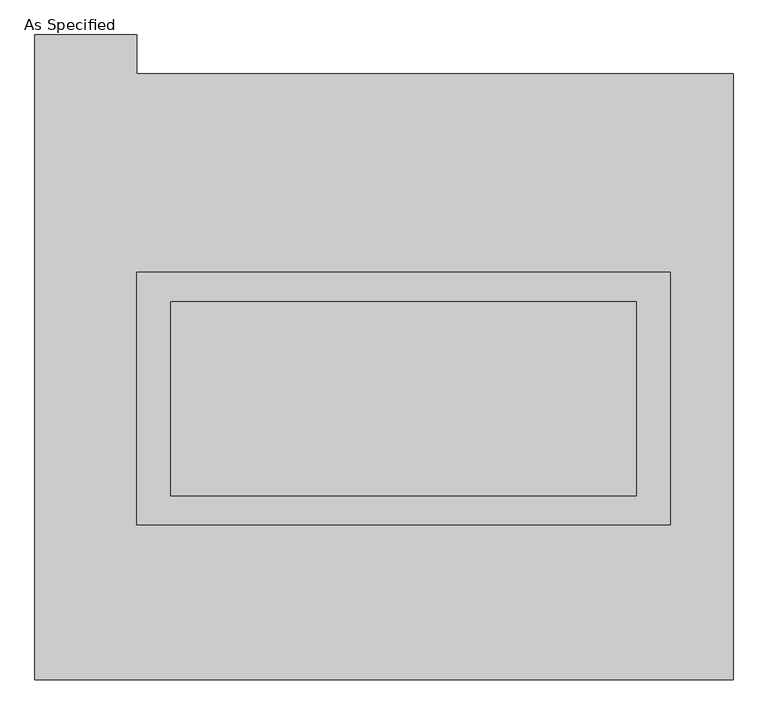
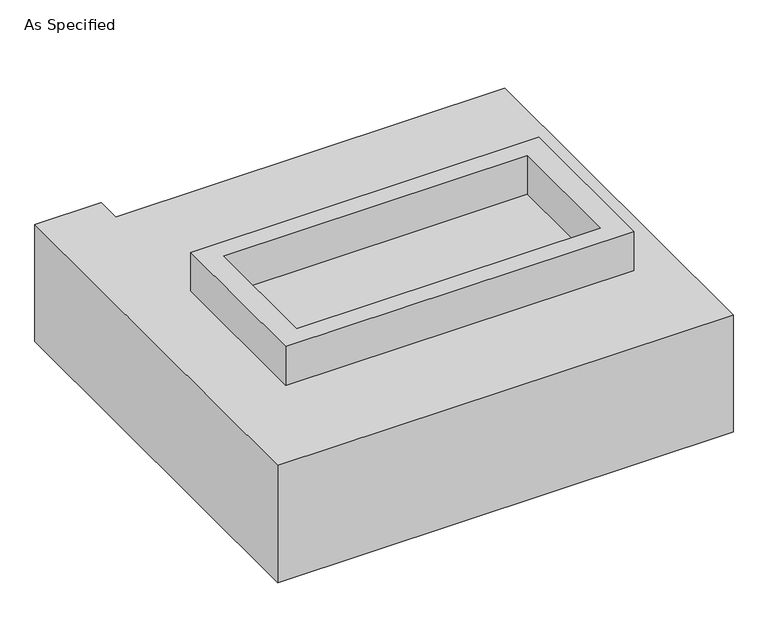
"""IFC4 building model written with IfcOpenShell, lengths in millimetres: proxy geometry, As Specified."""

from ifc_helpers import new_model, si_unit, frame, origin, place, context, project, spatial, polyline, outline, extrude, faceted_brep, source, transform, mapped, element, save


def as_specified_d8542fd7(model_context):
    return source(origin(), model_context, "Body", "SolidModel", [
        extrude(outline(polyline([(698.5, 273.05), (698.5, -387.35), (-698.5, -387.35), (-698.5, 273.05), (698.5, 273.05)]), holes=[polyline([(609.6, 196.85), (-609.6, 196.85), (-609.6, -311.15), (609.6, -311.15), (609.6, 196.85)])]), frame((0.0, 0.0, -25.4), z_axis=(0.0, 0.0, 1.0), x_axis=(1.0, 0.0, 0.0)), (0.0, 0.0, 1.0), 165.1),
        extrude(outline(polyline([(609.6, 196.85), (609.6, -311.15), (-609.6, -311.15), (-609.6, 196.85), (609.6, 196.85)])), frame((0.0, 0.0, -30.3609375), z_axis=(0.0, 0.0, 1.0), x_axis=(1.0, 0.0, 0.0)), (0.0, 0.0, 1.0), 4.9609375),
        faceted_brep([(863.6, -793.75, -523.875), (-965.2, -793.75, -523.875), (-965.2, 895.35, -523.875), (-698.5, 895.35, -523.875), (-698.5, 793.75, -523.875), (863.6, 793.75, -523.875), (-965.2, -793.75, -25.4), (863.6, -793.75, -25.4), (863.6, 793.75, -25.4), (-698.5, 793.75, -25.4), (-698.5, 895.35, -25.4), (-965.2, 895.35, -25.4), (-698.5, -387.35, -25.4), (-698.5, 273.05, -25.4), (698.5, 273.05, -25.4), (698.5, -387.35, -25.4), (698.5, 273.05, -498.475), (-698.5, 273.05, -498.475), (-698.5, -387.35, -498.475), (698.5, -387.35, -498.475)], [[[0, 1, 2, 3, 4, 5]], [[6, 7, 8, 9, 10, 11], [12, 13, 14, 15]], [[8, 5, 4, 9]], [[2, 1, 6, 11]], [[5, 8, 7, 0]], [[16, 17, 18, 19]], [[18, 17, 13, 12]], [[17, 16, 14, 13]], [[16, 19, 15, 14]], [[12, 15, 19, 18]], [[1, 0, 7, 6]], [[4, 3, 10, 9]], [[3, 2, 11, 10]]]),
    ])


if __name__ == "__main__":
    model = new_model("IFC4")
    model_context = context("Model", 3, world=origin())
    ifc_project = project(units=[si_unit("LENGTHUNIT", "METRE", prefix="MILLI")], contexts=[model_context])
    site = spatial("IfcSite", under=ifc_project)
    building = spatial("IfcBuilding", under=site)
    placement = place(None, origin())
    as_specified_shape = as_specified_d8542fd7(model_context)
    element("IfcBuildingElementProxy", 1, Name="As Specified", ObjectType="As Specified", at=placement, inside=building, context=model_context, shape_type="MappedRepresentation", body=[
        mapped(as_specified_shape, transform((0.0, 0.0, 0.0), x_axis=(1.0, 0.0, 0.0), y_axis=(0.0, 1.0, 0.0), z_axis=(0.0, 0.0, 1.0))),
    ])
    save(model, "model.ifc")
